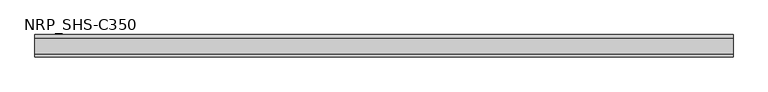
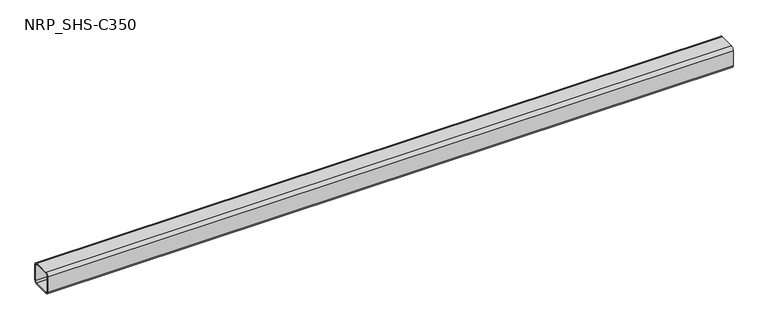
"""IFC4 building model written with IfcOpenShell, lengths in millimetres: member geometry, NRP_SHS-C350."""

from ifc_helpers import new_model, si_unit, point, frame, frame_2d, origin, place, context, project, spatial, polyline, circle_curve, trimmed, segment, composite_curve, outline, extrude, source, transform, mapped, element, save


def nrp_shs_c350_90ec1ab3(model_context):
    return source(origin(), model_context, "Body", "SweptSolid", [
        extrude(outline(composite_curve([segment(polyline([(44.5, 32.0), (44.5, -32.0)]), True, "CONTINUOUS"), segment(trimmed(circle_curve(frame_2d((32.0, -32.0)), 12.5), [point((44.5, -32.0))], [point((32.0, -44.5))], False, "CARTESIAN"), True, "CONTINUOUS"), segment(polyline([(32.0, -44.5), (-32.0, -44.5)]), True, "CONTINUOUS"), segment(trimmed(circle_curve(frame_2d((-32.0, -32.0)), 12.5), [point((-32.0, -44.5))], [point((-44.5, -32.0))], False, "CARTESIAN"), True, "CONTINUOUS"), segment(polyline([(-44.5, -32.0), (-44.5, 32.0)]), True, "CONTINUOUS"), segment(trimmed(circle_curve(frame_2d((-32.0, 32.0)), 12.5), [point((-44.5, 32.0))], [point((-32.0, 44.5))], False, "CARTESIAN"), True, "CONTINUOUS"), segment(polyline([(-32.0, 44.5), (32.0, 44.5)]), True, "CONTINUOUS"), segment(trimmed(circle_curve(frame_2d((32.0, 32.0)), 12.5), [point((32.0, 44.5))], [point((44.5, 32.0))], False, "CARTESIAN"), True, "CONTINUOUS")], self_intersect=False), holes=[composite_curve([segment(trimmed(circle_curve(frame_2d((-32.0, 32.0)), 7.5), [point((-32.0, 39.5))], [point((-39.5, 32.0))], True, "CARTESIAN"), True, "CONTINUOUS"), segment(polyline([(-39.5, 32.0), (-39.5, -32.0)]), True, "CONTINUOUS"), segment(trimmed(circle_curve(frame_2d((-32.0, -32.0)), 7.5), [point((-39.5, -32.0))], [point((-32.0, -39.5))], True, "CARTESIAN"), True, "CONTINUOUS"), segment(polyline([(-32.0, -39.5), (32.0, -39.5)]), True, "CONTINUOUS"), segment(trimmed(circle_curve(frame_2d((32.0, -32.0)), 7.5), [point((32.0, -39.5))], [point((39.5, -32.0))], True, "CARTESIAN"), True, "CONTINUOUS"), segment(polyline([(39.5, -32.0), (39.5, 32.0)]), True, "CONTINUOUS"), segment(trimmed(circle_curve(frame_2d((32.0, 32.0)), 7.5), [point((39.5, 32.0))], [point((32.0, 39.5))], True, "CARTESIAN"), True, "CONTINUOUS"), segment(polyline([(32.0, 39.5), (-32.0, 39.5)]), True, "CONTINUOUS")], self_intersect=False)]), frame((-1349.5, 0.0, 0.0), z_axis=(1.0, 0.0, 0.0), x_axis=(0.0, 1.0, 0.0)), (0.0, 0.0, 1.0), 2762.0),
    ])


if __name__ == "__main__":
    model = new_model("IFC4")
    model_context = context("Model", 3, world=origin())
    ifc_project = project(units=[si_unit("LENGTHUNIT", "METRE", prefix="MILLI")], contexts=[model_context])
    site = spatial("IfcSite", under=ifc_project)
    building = spatial("IfcBuilding", under=site)
    placement = place(None, origin())
    nrp_shs_c350_shape = nrp_shs_c350_90ec1ab3(model_context)
    element("IfcMember", 1, ObjectType="NRP_SHS-C350", at=placement, inside=building, context=model_context, shape_type="MappedRepresentation", body=[
        mapped(nrp_shs_c350_shape, transform((0.0, 0.0, 0.0), x_axis=(1.0, 0.0, 0.0), y_axis=(0.0, 1.0, 0.0), z_axis=(0.0, 0.0, 1.0))),
    ])
    save(model, "model.ifc")
